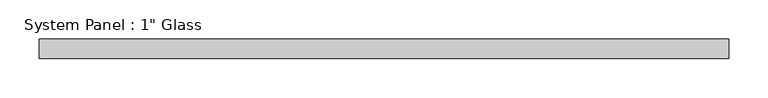
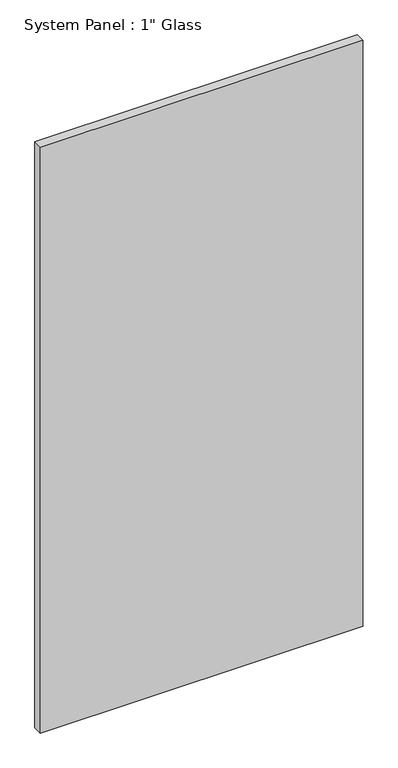
"""IFC4 building model written with IfcOpenShell, lengths in millimetres: plate geometry."""

from ifc_helpers import new_model, si_unit, origin, origin_with_axes, place, context, project, spatial, polyline, outline, extrude, source, transform, mapped, element, save


def plate_08b272b2(model_context):
    return source(origin(), model_context, "Body", "SweptSolid", [
        extrude(outline(polyline([(441.325, -12.7), (-441.325, -12.7), (-441.325, 12.7), (441.325, 12.7), (441.325, -12.7)])), origin_with_axes(), (0.0, 0.0, 1.0), 1695.45),
    ])


if __name__ == "__main__":
    model = new_model("IFC4")
    model_context = context("Model", 3, world=origin())
    ifc_project = project(units=[si_unit("LENGTHUNIT", "METRE", prefix="MILLI")], contexts=[model_context])
    site = spatial("IfcSite", under=ifc_project)
    building = spatial("IfcBuilding", under=site)
    placement = place(None, origin())
    plate_shape = plate_08b272b2(model_context)
    element("IfcPlate", 1, ObjectType="System Panel : 1\" Glass", at=placement, inside=building, context=model_context, shape_type="MappedRepresentation", body=[
        mapped(plate_shape, transform((0.0, 0.0, 0.0), x_axis=(1.0, 0.0, 0.0), y_axis=(0.0, 1.0, 0.0), z_axis=(0.0, 0.0, 1.0))),
    ])
    save(model, "model.ifc")
